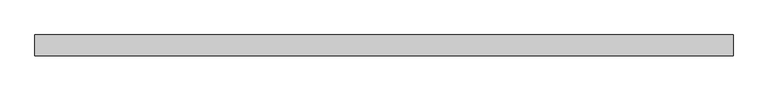
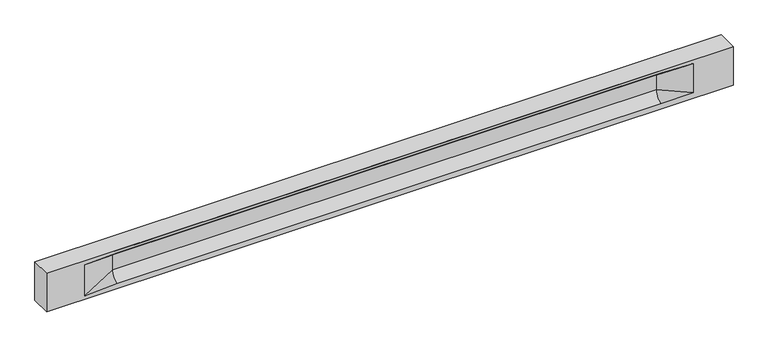
"""IFC4 building model written with IfcOpenShell, lengths in millimetres: beam geometry."""

import ifcopenshell
import ifcopenshell.guid

model = None  # the IFC model being written
_history = None  # IfcOwnerHistory: only IFC2X3 demands one
_inside = {}  # id of a spatial element -> (the spatial element, [elements in it])
_under = {}  # id of a project, library or spatial element -> (it, [spatial elements below it])
_declared = {}  # id of a project -> (the project, [libraries it declares])
_typed = {}  # id of a type object -> (the type object, [elements of that type])
_made_of = {}  # id of a material, layer set ... -> (it, [elements and type objects made of it])


def new_model(schema):
    """Start an empty IFC model of exactly this schema.

    Asked for "IFC4X3", IfcOpenShell would pick the latest addendum, in which some entities
    have other attributes; the version numbers below select the first issue.
    IFC2X3 requires an IfcOwnerHistory on every rooted entity: one is made here for all.
    """
    global model, _history
    if schema == "IFC4X3":
        model = ifcopenshell.file(schema_version=(4, 3, 0, 0))
    else:
        model = ifcopenshell.file(schema=schema)
    _inside.clear()
    _under.clear()
    _declared.clear()
    _typed.clear()
    _made_of.clear()
    _history = None
    if model.schema == "IFC2X3":
        org = make("IfcOrganization", Name="unknown")
        user = make(
            "IfcPersonAndOrganization",
            ThePerson=make("IfcPerson", FamilyName="unknown"),
            TheOrganization=org,
        )
        app = make(
            "IfcApplication",
            ApplicationDeveloper=org,
            Version="unknown",
            ApplicationFullName="unknown",
            ApplicationIdentifier="unknown",
        )
        _history = make(
            "IfcOwnerHistory",
            OwningUser=user,
            OwningApplication=app,
            ChangeAction="ADDED",
            CreationDate=0,
        )
    return model


def make(cls, **values):
    """One entity of the class cls with the attributes given. An attribute that is None is left unset."""
    return model.create_entity(
        cls, **{name: value for name, value in values.items() if value is not None}
    )


def rooted(cls, **values):
    """An entity with a GlobalId (a new one), such as an element, a storey or a relation."""
    return make(cls, GlobalId=ifcopenshell.guid.new(), OwnerHistory=_history, **values)


def si_unit(unit_type, name, prefix=None):
    """IfcSIUnit, for example si_unit("LENGTHUNIT", "METRE", prefix="MILLI")."""
    return make("IfcSIUnit", UnitType=unit_type, Prefix=prefix, Name=name)


def assignment(units):
    """IfcUnitAssignment: the units of a project."""
    return None if units is None else make("IfcUnitAssignment", Units=units)


def point(xyz):
    """IfcCartesianPoint."""
    return None if xyz is None else make("IfcCartesianPoint", Coordinates=xyz)


def direction(xyz):
    """IfcDirection."""
    return None if xyz is None else make("IfcDirection", DirectionRatios=xyz)


def frame(location, z_axis=None, x_axis=None):
    """IfcAxis2Placement3D, a coordinate frame: its origin and axes. An axis left out is left unset."""
    return make(
        "IfcAxis2Placement3D",
        Location=point(location),
        Axis=direction(z_axis),
        RefDirection=direction(x_axis),
    )


def origin():
    """The frame at (0, 0, 0) with its axes left unset."""
    return frame((0.0, 0.0, 0.0))


def place(relative_to, where):
    """IfcLocalPlacement: puts the frame where relative to a parent placement (None: the world)."""
    return make(
        "IfcLocalPlacement", PlacementRelTo=relative_to, RelativePlacement=where
    )


def context(
    kind, dimensions, precision=None, world=None, true_north=None, identifier=None
):
    """IfcGeometricRepresentationContext, for example the 3D "Model" context."""
    return make(
        "IfcGeometricRepresentationContext",
        ContextIdentifier=identifier,
        ContextType=kind,
        CoordinateSpaceDimension=dimensions,
        Precision=precision,
        WorldCoordinateSystem=world,
        TrueNorth=true_north,
    )


def project(units=None, contexts=None):
    """IfcProject with its units and contexts."""
    return rooted(
        "IfcProject",
        Name="project",
        RepresentationContexts=contexts,
        UnitsInContext=assignment(units),
    )


def spatial(cls, under=None, at=None, **own):
    """A site, building, storey or space (cls), placed at a placement, below another one or the project."""
    s = rooted(cls, ObjectPlacement=at, **own)
    if under is not None:
        _under.setdefault(under.id(), (under, []))[1].append(s)
    return s


def polyline(points):
    """IfcPolyline through the points."""
    return make("IfcPolyline", Points=[point(p) for p in points])


def circle_curve(where, radius):
    """IfcCircle in the frame where."""
    return make("IfcCircle", Position=where, Radius=radius)


def shape(context_of_items, identifier, shape_type, items):
    """IfcShapeRepresentation: the items that make up one representation, for example the "Body"."""
    return make(
        "IfcShapeRepresentation",
        ContextOfItems=context_of_items,
        RepresentationIdentifier=identifier,
        RepresentationType=shape_type,
        Items=items,
    )


def source(mapping_origin, context_of_items, identifier, shape_type, items):
    """IfcRepresentationMap: a shape defined once, which mapped items show again and again."""
    return make(
        "IfcRepresentationMap",
        MappingOrigin=mapping_origin,
        MappedRepresentation=shape(context_of_items, identifier, shape_type, items),
    )


def transform(
    local_origin,
    x_axis=None,
    y_axis=None,
    z_axis=None,
    scale=None,
    scale2=None,
    scale3=None,
    uniform=True,
):
    """IfcCartesianTransformationOperator3D, or its non-uniform kind. x_axis, y_axis, z_axis: its Axis1, 2, 3."""
    if uniform:
        return make(
            "IfcCartesianTransformationOperator3D",
            Axis1=direction(x_axis),
            Axis2=direction(y_axis),
            LocalOrigin=point(local_origin),
            Scale=scale,
            Axis3=direction(z_axis),
        )
    return make(
        "IfcCartesianTransformationOperator3DnonUniform",
        Axis1=direction(x_axis),
        Axis2=direction(y_axis),
        LocalOrigin=point(local_origin),
        Scale=scale,
        Axis3=direction(z_axis),
        Scale2=scale2,
        Scale3=scale3,
    )


def mapped(mapping_source, mapping_target):
    """IfcMappedItem: shows the shape of a source again, moved by a transform."""
    return make(
        "IfcMappedItem", MappingSource=mapping_source, MappingTarget=mapping_target
    )


def made_of(thing, what):
    """Note that an element or type object is made of a material, layer set ...; save() writes the relation."""
    if what is not None:
        _made_of.setdefault(what.id(), (what, []))[1].append(thing)
    return thing


def element(
    cls,
    number,
    at=None,
    inside=None,
    cuts=None,
    type_object=None,
    material=None,
    context=None,
    identifier="Body",
    shape_type=None,
    held_by="IfcProductDefinitionShape",
    body=None,
    shapes=None,
    **own,
):
    """One element of the class cls, such as IfcWall. Its Tag is "e" and its number.

    at: its placement. inside: the storey or other place that contains it. cuts: it is an
    opening in that element (IfcRelVoidsElement). A single representation is given by context,
    identifier, shape_type and body (its items); several are given by shapes. held_by: the class
    of the entity that holds the representations. save() writes the other relations.
    """
    e = rooted(cls, Tag="e%d" % number, ObjectPlacement=at, **own)
    if body is not None:
        shapes = [shape(context, identifier, shape_type, body)]
    if shapes is not None:
        e.Representation = make(held_by, Representations=shapes)
    if inside is not None:
        _inside.setdefault(inside.id(), (inside, []))[1].append(e)
    if cuts is not None:
        rooted(
            "IfcRelVoidsElement", RelatingBuildingElement=cuts, RelatedOpeningElement=e
        )
    if type_object is not None:
        _typed.setdefault(type_object.id(), (type_object, []))[1].append(e)
    return made_of(e, material)


def aggregate(whole, parts):
    """IfcRelAggregates: a whole, such as a stair, and the parts it consists of."""
    return rooted("IfcRelAggregates", RelatingObject=whole, RelatedObjects=parts)


def save(model, path):
    """Write the relations noted so far, then the file.

    IfcRelAggregates (storeys below a building ...), IfcRelContainedInSpatialStructure (elements
    in a storey), IfcRelDefinesByType, IfcRelAssociatesMaterial and IfcRelDeclares: one each for
    every whole, place, type object, material and project.
    """
    for whole, parts in _under.values():
        aggregate(whole, parts)
    for where, things in _inside.values():
        rooted(
            "IfcRelContainedInSpatialStructure",
            RelatedElements=things,
            RelatingStructure=where,
        )
    for kind, things in _typed.values():
        rooted("IfcRelDefinesByType", RelatedObjects=things, RelatingType=kind)
    for what, things in _made_of.values():
        rooted("IfcRelAssociatesMaterial", RelatedObjects=things, RelatingMaterial=what)
    for by, libraries in _declared.values():
        rooted("IfcRelDeclares", RelatingContext=by, RelatedDefinitions=libraries)
    model.write(path)


def plane_surface(at):
    """IfcPlane: the flat surface through the origin of the frame at, square to its z axis."""
    return make("IfcPlane", Position=at)


def revolved_surface(curve, axis_point, axis_direction):
    """IfcSurfaceOfRevolution: the curve turned about the line through axis_point along axis_direction."""
    return make(
        "IfcSurfaceOfRevolution",
        SweptCurve=make("IfcArbitraryOpenProfileDef", ProfileType="CURVE", Curve=curve),
        AxisPosition=make("IfcAxis1Placement", Location=point(axis_point), Axis=direction(axis_direction)),
    )


def spline_surface(u_degree, v_degree, points, u_multiplicities, v_multiplicities, u_knots, v_knots, weights=None):
    """IfcBSplineSurfaceWithKnots; with weights, IfcRationalBSplineSurfaceWithKnots. points: one row for each step in u."""
    own = dict(
        UDegree=u_degree,
        VDegree=v_degree,
        ControlPointsList=[[point(p) for p in row] for row in points],
        SurfaceForm="UNSPECIFIED",
        UClosed=False,
        VClosed=False,
        SelfIntersect=False,
        UMultiplicities=u_multiplicities,
        VMultiplicities=v_multiplicities,
        UKnots=u_knots,
        VKnots=v_knots,
        KnotSpec="UNSPECIFIED",
    )
    if weights is None:
        return make("IfcBSplineSurfaceWithKnots", **own)
    return make("IfcRationalBSplineSurfaceWithKnots", WeightsData=weights, **own)


def advanced_brep(points, edges, surfaces, faces):
    """IfcAdvancedBrep: a solid bounded by faces that lie on surfaces and meet in shared edges.

    An edge is (start, end): straight between two places in points (the first is 0);
    or (start, end, curve); or (start, end, curve, False) where it runs against its curve.
    A face is (place in surfaces, loops), or (place, loops, False) where it looks against
    its surface's normal. A loop lists edges by number (the first is 1), with a minus sign
    where the edge is run from its end to its start. The first loop is the outer one.
    """
    corners = [point(p) for p in points]
    vertices = [make("IfcVertexPoint", VertexGeometry=c) for c in corners]
    made = []
    for start, end, *more in edges:
        made.append(
            make(
                "IfcEdgeCurve",
                EdgeStart=vertices[start],
                EdgeEnd=vertices[end],
                EdgeGeometry=more[0] if more else make("IfcPolyline", Points=[corners[start], corners[end]]),
                SameSense=more[1] if len(more) > 1 else True,
            )
        )
    hull = []
    for where, loops, *sense in faces:
        bounds = []
        for j, loop in enumerate(loops):
            ring = [make("IfcOrientedEdge", EdgeElement=made[abs(k) - 1], Orientation=k > 0) for k in loop]
            bounds.append(
                make(
                    "IfcFaceOuterBound" if j == 0 else "IfcFaceBound",
                    Bound=make("IfcEdgeLoop", EdgeList=ring),
                    Orientation=True,
                )
            )
        hull.append(make("IfcAdvancedFace", Bounds=bounds, FaceSurface=surfaces[where], SameSense=sense[0] if sense else True))
    return make("IfcAdvancedBrep", Outer=make("IfcClosedShell", CfsFaces=hull))


def beam_40df87ea(model_context):
    return source(origin(), model_context, "Body", "AdvancedBrep", [
        advanced_brep(
        [(8432.5, -250.0, 500.0), (8432.5, -250.0, -500.0), (8432.5, 250.0, -500.0), (8432.5, 250.0, 500.0), (-8432.5, -250.0, 500.0), (-8432.5, -250.0, -500.0), (7457.5, -250.0, -362.0), (6657.5, -250.0, -360.0), (-6702.5, -250.0, -360.0), (-7502.5, -250.0, -400.0), (-7502.5, -250.0, 400.0), (-6702.5, -250.0, 435.0), (6657.5, -250.0, 435.0), (7457.5, -250.0, 400.0), (-8432.5, 250.0, -500.0), (-8432.5, 250.0, 500.0), (7457.5, 250.0, 400.0), (6657.5, 250.0, 435.0), (-6702.5, 250.0, 435.0), (-7502.5, 250.0, 400.0), (-7502.5, 250.0, -400.0), (-6702.5, 250.0, -360.0), (6657.5, 250.0, -360.0), (7457.5, 250.0, -362.0), (6657.5, 155.0, 405.0), (-6702.5, 155.0, 405.0), (6657.5, 60.0, 262.777021), (-6702.5, 60.0, 262.777021), (6657.5, 60.0, -120.0), (-6702.5, 60.0, -120.0), (6657.5, -60.0, -120.0), (-6702.5, -60.0, -120.0), (6657.5, -60.0, 262.777021), (-6702.5, -60.0, 262.777021), (6657.5, -155.0, 405.0), (-6702.5, -155.0, 405.0)],
        [
            (0, 1),
            (1, 2),
            (2, 3),
            (3, 0),
            (0, 4),
            (4, 5),
            (5, 1),
            (6, 7),
            (7, 8),
            (8, 9),
            (9, 10),
            (10, 11),
            (11, 12),
            (12, 13),
            (13, 6),
            (5, 14),
            (14, 2),
            (14, 15),
            (15, 3),
            (16, 17),
            (17, 18),
            (18, 19),
            (19, 20),
            (20, 21),
            (21, 22),
            (22, 23),
            (23, 16),
            (15, 4),
            (17, 24),
            (24, 25),
            (25, 18),
            (24, 26, circle_curve(frame((6657.5, 213.9598725, 262.777021), z_axis=(1.0, 0.0, 0.0), x_axis=(0.0, 1.0, 0.0)), 153.9598725)),
            (26, 27),
            (27, 25, circle_curve(frame((-6702.5, 213.9598725, 262.777021), z_axis=(-1.0, 0.0, 0.0), x_axis=(0.0, 1.0, 0.0)), 153.9598725)),
            (26, 28),
            (28, 29),
            (29, 27),
            (28, 22, circle_curve(frame((6657.5, 306.5789474, -120.0), z_axis=(1.0, 0.0, 0.0), x_axis=(0.0, 1.0, 0.0)), 246.5789474)),
            (21, 29, circle_curve(frame((-6702.5, 306.5789474, -120.0), z_axis=(-1.0, 0.0, 0.0), x_axis=(0.0, 1.0, 0.0)), 246.5789474)),
            (7, 30, circle_curve(frame((6657.5, -306.5789474, -120.0), z_axis=(1.0, 0.0, 0.0), x_axis=(0.0, 1.0, 0.0)), 246.5789474)),
            (30, 31),
            (31, 8, circle_curve(frame((-6702.5, -306.5789474, -120.0), z_axis=(-1.0, 0.0, 0.0), x_axis=(0.0, 1.0, 0.0)), 246.5789474)),
            (30, 32),
            (32, 33),
            (33, 31),
            (32, 34, circle_curve(frame((6657.5, -213.9598725, 262.777021), z_axis=(1.0, 0.0, 0.0), x_axis=(0.0, 1.0, 0.0)), 153.9598725)),
            (34, 35),
            (35, 33, circle_curve(frame((-6702.5, -213.9598725, 262.777021), z_axis=(-1.0, 0.0, 0.0), x_axis=(0.0, 1.0, 0.0)), 153.9598725)),
            (34, 12),
            (11, 35),
            (27, 19),
            (19, 25),
            (10, 35),
            (10, 33),
            (9, 31),
            (20, 29),
            (34, 13),
            (32, 13),
            (30, 6),
            (28, 23),
            (26, 16),
            (24, 16),
        ],
        [
            plane_surface(frame((8432.5, 0.0, 0.0), z_axis=(1.0, 0.0, 0.0), x_axis=(0.0, 0.0, 1.0))),
            plane_surface(frame((8432.5, -250.0, 500.0), z_axis=(0.0, -1.0, 0.0), x_axis=(-1.0, 0.0, 0.0))),
            plane_surface(frame((8432.5, -250.0, -500.0), z_axis=(0.0, 0.0, -1.0), x_axis=(-1.0, 0.0, 0.0))),
            plane_surface(frame((8432.5, 250.0, -500.0), z_axis=(0.0, 1.0, 0.0), x_axis=(-1.0, 0.0, 0.0))),
            plane_surface(frame((8432.5, 250.0, 500.0), z_axis=(0.0, 0.0, 1.0), x_axis=(-1.0, 0.0, 0.0))),
            plane_surface(frame((-6702.5, 250.0, 435.0), z_axis=(0.0, 0.30113136793710954, -0.9535826651341378), x_axis=(1.0, 0.0, 0.0))),
            revolved_surface(polyline([(6657.5, 367.919745, 262.777021), (-6702.5, 367.919745, 262.777021)]), (-6702.5, 213.9598725, 262.777021), (1.0, 0.0, 0.0)),
            plane_surface(frame((-6702.5, 60.0, 262.777021), z_axis=(0.0, 1.0, 0.0), x_axis=(1.0, 0.0, 0.0))),
            revolved_surface(polyline([(6657.5, 553.1578948, -120.0), (-6702.5, 553.1578948, -120.0)]), (-6702.5, 306.5789474, -120.0), (1.0, 0.0, 0.0)),
            revolved_surface(polyline([(6657.5, -60.0, -120.0), (-6702.5, -60.0, -120.0)]), (-6702.5, -306.5789474, -120.0), (1.0, 0.0, 0.0)),
            plane_surface(frame((-6702.5, -60.0, -120.0), z_axis=(0.0, -1.0, 0.0), x_axis=(1.0, 0.0, 0.0))),
            revolved_surface(polyline([(6657.5, -60.0, 262.777021), (-6702.5, -60.0, 262.777021)]), (-6702.5, -213.9598725, 262.777021), (1.0, 0.0, 0.0)),
            plane_surface(frame((-6702.5, -155.0, 405.0), z_axis=(0.0, -0.30113136793710693, -0.9535826651341387), x_axis=(1.0, 0.0, 0.0))),
            spline_surface(2, 1, [[(-7502.5, 250.0, 400.0), (-6702.5, 60.0, 262.777021)], [(-7502.5, 250.0, 400.0), (-6702.5, 59.99999995452379, 365.6168572954922)], [(-7502.5, 250.0, 400.0), (-6702.5, 155.0, 405.0)]], [3, 3], [2, 2], [0.0, 1.0], [0.0, 1.0], weights=[[1.0, 1.0], [0.8315515921160737, 0.8315515921160737], [1.0, 1.0]]),
            plane_surface(frame((-7502.5, 250.0, 400.0), z_axis=(0.04168298285568759, 0.30086965068766386, -0.9527538938442265), x_axis=(0.0, 0.9535826651341378, 0.30113136793710954))),
            plane_surface(frame((-7502.5, -250.0, 400.0), z_axis=(0.041682982855687625, -0.30086965068766125, -0.9527538938442274), x_axis=(0.0, 0.9535826651341387, -0.30113136793710693))),
            spline_surface(2, 1, [[(-7502.5, -250.0, 400.0), (-6702.5, -155.0, 405.0)], [(-7502.5, -250.0, 400.0), (-6702.5, -60.00000008030692, 365.6168572114734)], [(-7502.5, -250.0, 400.0), (-6702.5, -60.0, 262.777021)]], [3, 3], [2, 2], [0.0, 1.0], [0.0, 1.0], weights=[[1.0, 1.0], [0.8315515924557569, 0.8315515924557569], [1.0, 1.0]]),
            plane_surface(frame((-7502.5, -250.0, 0.0), z_axis=(0.2310724307958988, -0.9729365507195599, 0.0), x_axis=(0.0, 0.0, -1.0))),
            spline_surface(2, 1, [[(-7502.5, -250.0, -400.0), (-6702.5, -60.0, -120.0)], [(-7502.5, -250.0, -400.0), (-6702.5, -59.99999998020837, -315.20833333333337)], [(-7502.5, -250.0, -400.0), (-6702.5, -250.0, -360.0)]], [3, 3], [2, 2], [0.0, 1.0], [0.0, 1.0], weights=[[1.0, 1.0], [0.7840458244617614, 0.7840458244617614], [1.0, 1.0]]),
            spline_surface(2, 1, [[(-7502.5, 250.0, -400.0), (-6702.5, 250.0, -360.0)], [(-7502.5, 250.0, -400.0), (-6702.5, 60.00000002887427, -315.20833329480604)], [(-7502.5, 250.0, -400.0), (-6702.5, 60.0, -120.0)]], [3, 3], [2, 2], [0.0, 1.0], [0.0, 1.0], weights=[[1.0, 1.0], [0.7840458245391329, 0.7840458245391329], [1.0, 1.0]]),
            plane_surface(frame((-7502.5, 250.0, 0.0), z_axis=(0.23107243079589448, 0.9729365507195609, 0.0), x_axis=(0.0, 0.0, 1.0))),
            plane_surface(frame((-8432.5, 0.0, 0.0), z_axis=(-1.0, 0.0, 0.0), x_axis=(0.0, 0.0, 1.0))),
            plane_surface(frame((6657.5, -202.5, 420.0), z_axis=(-0.04168298285568746, -0.30086965068766125, -0.9527538938442274), x_axis=(0.0, 0.9535826651341387, -0.30113136793710693))),
            spline_surface(2, 1, [[(6657.5, -155.0, 405.0), (7457.5, -250.0, 400.0)], [(6657.5, -60.00000008030692, 365.6168572114734), (7457.5, -250.0, 400.0)], [(6657.5, -60.0, 262.777021), (7457.5, -250.0, 400.0)]], [3, 3], [2, 2], [0.0, 1.0], [0.0, 1.0], weights=[[1.0, 1.0], [0.8315515924557569, 0.8315515924557569], [1.0, 1.0]]),
            plane_surface(frame((6657.5, -60.0, 71.3885105), z_axis=(-0.23107243079589737, -0.9729365507195602, 0.0), x_axis=(0.0, 0.0, -1.0))),
            spline_surface(2, 1, [[(6657.5, -60.0, -120.0), (7457.5, -250.0, -362.0)], [(6657.5, -59.99999998020837, -315.20833333333337), (7457.5, -250.0, -362.0)], [(6657.5, -250.0, -360.0), (7457.5, -250.0, -362.0)]], [3, 3], [2, 2], [0.0, 1.0], [0.0, 1.0], weights=[[1.0, 1.0], [0.7840458244617614, 0.7840458244617614], [1.0, 1.0]]),
            spline_surface(2, 1, [[(6657.5, 250.0, -360.0), (7457.5, 250.0, -362.0)], [(6657.5, 60.00000002887427, -315.20833329480604), (7457.5, 250.0, -362.0)], [(6657.5, 60.0, -120.0), (7457.5, 250.0, -362.0)]], [3, 3], [2, 2], [0.0, 1.0], [0.0, 1.0], weights=[[1.0, 1.0], [0.7840458245391329, 0.7840458245391329], [1.0, 1.0]]),
            plane_surface(frame((6657.5, 60.0, 71.3885105), z_axis=(-0.23107243079589093, 0.9729365507195618, 0.0), x_axis=(0.0, 0.0, 1.0))),
            spline_surface(2, 1, [[(6657.5, 60.0, 262.777021), (7457.5, 250.0, 400.0)], [(6657.5, 59.99999995452379, 365.6168572954922), (7457.5, 250.0, 400.0)], [(6657.5, 155.0, 405.0), (7457.5, 250.0, 400.0)]], [3, 3], [2, 2], [0.0, 1.0], [0.0, 1.0], weights=[[1.0, 1.0], [0.8315515921160737, 0.8315515921160737], [1.0, 1.0]]),
            plane_surface(frame((6657.5, 202.5, 420.0), z_axis=(-0.04168298285568672, 0.30086965068766386, -0.9527538938442265), x_axis=(0.0, 0.9535826651341378, 0.30113136793710954))),
        ],
        [
            (0, [[1, 2, 3, 4]]),
            (1, [[-1, 5, 6, 7], [8, 9, 10, 11, 12, 13, 14, 15]]),
            (2, [[-2, -7, 16, 17]]),
            (3, [[-3, -17, 18, 19], [20, 21, 22, 23, 24, 25, 26, 27]]),
            (4, [[-5, -4, -19, 28]]),
            (5, [[-21, 29, 30, 31]]),
            (6, [[-30, 32, 33, 34]]),
            (7, [[-33, 35, 36, 37]]),
            (8, [[-36, 38, -25, 39]]),
            (9, [[-9, 40, 41, 42]]),
            (10, [[-41, 43, 44, 45]]),
            (11, [[-44, 46, 47, 48]]),
            (12, [[-47, 49, -13, 50]]),
            (13, [[51, 52, -34]]),
            (14, [[-52, -22, -31]]),
            (15, [[-12, 53, -50]]),
            (16, [[-53, 54, -48]]),
            (17, [[-54, -11, 55, -45]]),
            (18, [[-55, -10, -42]]),
            (19, [[-24, 56, -39]]),
            (20, [[-51, -37, -56, -23]]),
            (21, [[-28, -18, -16, -6]]),
            (22, [[-14, -49, 57]]),
            (23, [[-57, -46, 58]]),
            (24, [[-58, -43, 59, -15]]),
            (25, [[-59, -40, -8]]),
            (26, [[-26, -38, 60]]),
            (27, [[-60, -35, 61, -27]]),
            (28, [[-61, -32, 62]]),
            (29, [[-62, -29, -20]]),
        ],
    ),
    ])


if __name__ == "__main__":
    model = new_model("IFC4")
    model_context = context("Model", 3, world=origin())
    ifc_project = project(units=[si_unit("LENGTHUNIT", "METRE", prefix="MILLI")], contexts=[model_context])
    site = spatial("IfcSite", under=ifc_project)
    building = spatial("IfcBuilding", under=site)
    placement = place(None, origin())
    beam_shape = beam_40df87ea(model_context)
    element("IfcBeam", 1, at=placement, inside=building, context=model_context, shape_type="MappedRepresentation", body=[
        mapped(beam_shape, transform((0.0, 0.0, 0.0), x_axis=(1.0, 0.0, 0.0), y_axis=(0.0, 1.0, 0.0), z_axis=(0.0, 0.0, 1.0))),
    ])
    save(model, "model.ifc")
